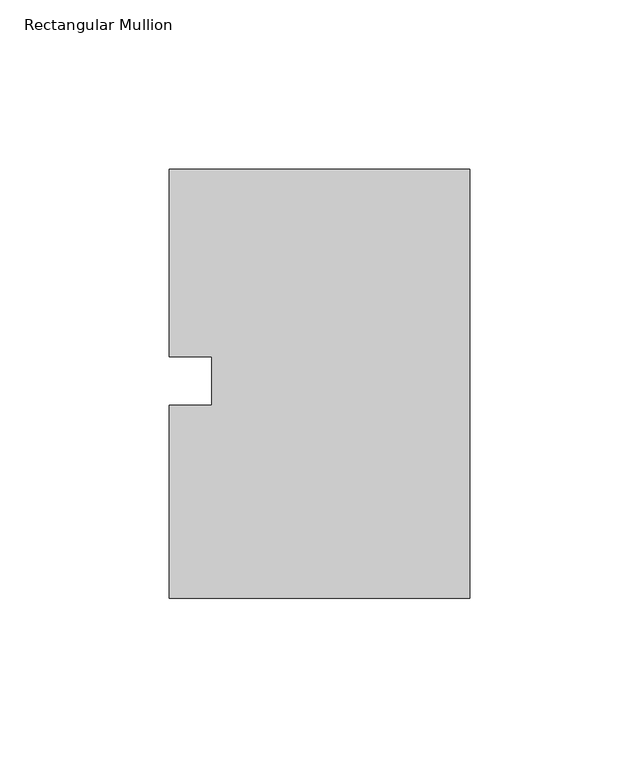
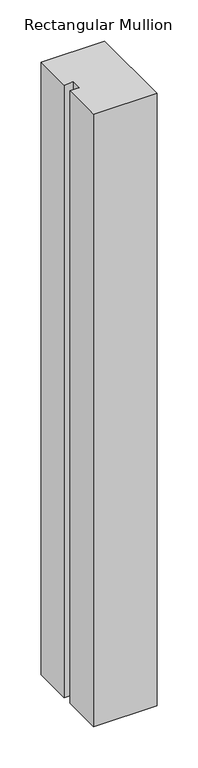
"""IFC4 building model written with IfcOpenShell, lengths in millimetres: member geometry, Rectangular Mullion."""

import ifcopenshell
import ifcopenshell.guid

model = None  # the IFC model being written
_history = None  # IfcOwnerHistory: only IFC2X3 demands one
_inside = {}  # id of a spatial element -> (the spatial element, [elements in it])
_under = {}  # id of a project, library or spatial element -> (it, [spatial elements below it])
_declared = {}  # id of a project -> (the project, [libraries it declares])
_typed = {}  # id of a type object -> (the type object, [elements of that type])
_made_of = {}  # id of a material, layer set ... -> (it, [elements and type objects made of it])


def new_model(schema):
    """Start an empty IFC model of exactly this schema.

    Asked for "IFC4X3", IfcOpenShell would pick the latest addendum, in which some entities
    have other attributes; the version numbers below select the first issue.
    IFC2X3 requires an IfcOwnerHistory on every rooted entity: one is made here for all.
    """
    global model, _history
    if schema == "IFC4X3":
        model = ifcopenshell.file(schema_version=(4, 3, 0, 0))
    else:
        model = ifcopenshell.file(schema=schema)
    _inside.clear()
    _under.clear()
    _declared.clear()
    _typed.clear()
    _made_of.clear()
    _history = None
    if model.schema == "IFC2X3":
        org = make("IfcOrganization", Name="unknown")
        user = make(
            "IfcPersonAndOrganization",
            ThePerson=make("IfcPerson", FamilyName="unknown"),
            TheOrganization=org,
        )
        app = make(
            "IfcApplication",
            ApplicationDeveloper=org,
            Version="unknown",
            ApplicationFullName="unknown",
            ApplicationIdentifier="unknown",
        )
        _history = make(
            "IfcOwnerHistory",
            OwningUser=user,
            OwningApplication=app,
            ChangeAction="ADDED",
            CreationDate=0,
        )
    return model


def make(cls, **values):
    """One entity of the class cls with the attributes given. An attribute that is None is left unset."""
    return model.create_entity(
        cls, **{name: value for name, value in values.items() if value is not None}
    )


def rooted(cls, **values):
    """An entity with a GlobalId (a new one), such as an element, a storey or a relation."""
    return make(cls, GlobalId=ifcopenshell.guid.new(), OwnerHistory=_history, **values)


def si_unit(unit_type, name, prefix=None):
    """IfcSIUnit, for example si_unit("LENGTHUNIT", "METRE", prefix="MILLI")."""
    return make("IfcSIUnit", UnitType=unit_type, Prefix=prefix, Name=name)


def assignment(units):
    """IfcUnitAssignment: the units of a project."""
    return None if units is None else make("IfcUnitAssignment", Units=units)


def point(xyz):
    """IfcCartesianPoint."""
    return None if xyz is None else make("IfcCartesianPoint", Coordinates=xyz)


def direction(xyz):
    """IfcDirection."""
    return None if xyz is None else make("IfcDirection", DirectionRatios=xyz)


def frame(location, z_axis=None, x_axis=None):
    """IfcAxis2Placement3D, a coordinate frame: its origin and axes. An axis left out is left unset."""
    return make(
        "IfcAxis2Placement3D",
        Location=point(location),
        Axis=direction(z_axis),
        RefDirection=direction(x_axis),
    )


def origin():
    """The frame at (0, 0, 0) with its axes left unset."""
    return frame((0.0, 0.0, 0.0))


def place(relative_to, where):
    """IfcLocalPlacement: puts the frame where relative to a parent placement (None: the world)."""
    return make(
        "IfcLocalPlacement", PlacementRelTo=relative_to, RelativePlacement=where
    )


def context(
    kind, dimensions, precision=None, world=None, true_north=None, identifier=None
):
    """IfcGeometricRepresentationContext, for example the 3D "Model" context."""
    return make(
        "IfcGeometricRepresentationContext",
        ContextIdentifier=identifier,
        ContextType=kind,
        CoordinateSpaceDimension=dimensions,
        Precision=precision,
        WorldCoordinateSystem=world,
        TrueNorth=true_north,
    )


def project(units=None, contexts=None):
    """IfcProject with its units and contexts."""
    return rooted(
        "IfcProject",
        Name="project",
        RepresentationContexts=contexts,
        UnitsInContext=assignment(units),
    )


def spatial(cls, under=None, at=None, **own):
    """A site, building, storey or space (cls), placed at a placement, below another one or the project."""
    s = rooted(cls, ObjectPlacement=at, **own)
    if under is not None:
        _under.setdefault(under.id(), (under, []))[1].append(s)
    return s


def polyline(points):
    """IfcPolyline through the points."""
    return make("IfcPolyline", Points=[point(p) for p in points])


def outline(outer, holes=None, kind="AREA"):
    """IfcArbitraryClosedProfileDef: a profile drawn as a closed curve; with holes, ...WithVoids."""
    if holes is None:
        return make("IfcArbitraryClosedProfileDef", ProfileType=kind, OuterCurve=outer)
    return make(
        "IfcArbitraryProfileDefWithVoids",
        ProfileType=kind,
        OuterCurve=outer,
        InnerCurves=holes,
    )


def extrude(swept, where, along, depth):
    """IfcExtrudedAreaSolid: the profile swept, set in the frame where, extruded along a direction by depth."""
    return make(
        "IfcExtrudedAreaSolid",
        SweptArea=swept,
        Position=where,
        ExtrudedDirection=direction(along),
        Depth=depth,
    )


def shape(context_of_items, identifier, shape_type, items):
    """IfcShapeRepresentation: the items that make up one representation, for example the "Body"."""
    return make(
        "IfcShapeRepresentation",
        ContextOfItems=context_of_items,
        RepresentationIdentifier=identifier,
        RepresentationType=shape_type,
        Items=items,
    )


def source(mapping_origin, context_of_items, identifier, shape_type, items):
    """IfcRepresentationMap: a shape defined once, which mapped items show again and again."""
    return make(
        "IfcRepresentationMap",
        MappingOrigin=mapping_origin,
        MappedRepresentation=shape(context_of_items, identifier, shape_type, items),
    )


def transform(
    local_origin,
    x_axis=None,
    y_axis=None,
    z_axis=None,
    scale=None,
    scale2=None,
    scale3=None,
    uniform=True,
):
    """IfcCartesianTransformationOperator3D, or its non-uniform kind. x_axis, y_axis, z_axis: its Axis1, 2, 3."""
    if uniform:
        return make(
            "IfcCartesianTransformationOperator3D",
            Axis1=direction(x_axis),
            Axis2=direction(y_axis),
            LocalOrigin=point(local_origin),
            Scale=scale,
            Axis3=direction(z_axis),
        )
    return make(
        "IfcCartesianTransformationOperator3DnonUniform",
        Axis1=direction(x_axis),
        Axis2=direction(y_axis),
        LocalOrigin=point(local_origin),
        Scale=scale,
        Axis3=direction(z_axis),
        Scale2=scale2,
        Scale3=scale3,
    )


def mapped(mapping_source, mapping_target):
    """IfcMappedItem: shows the shape of a source again, moved by a transform."""
    return make(
        "IfcMappedItem", MappingSource=mapping_source, MappingTarget=mapping_target
    )


def made_of(thing, what):
    """Note that an element or type object is made of a material, layer set ...; save() writes the relation."""
    if what is not None:
        _made_of.setdefault(what.id(), (what, []))[1].append(thing)
    return thing


def element(
    cls,
    number,
    at=None,
    inside=None,
    cuts=None,
    type_object=None,
    material=None,
    context=None,
    identifier="Body",
    shape_type=None,
    held_by="IfcProductDefinitionShape",
    body=None,
    shapes=None,
    **own,
):
    """One element of the class cls, such as IfcWall. Its Tag is "e" and its number.

    at: its placement. inside: the storey or other place that contains it. cuts: it is an
    opening in that element (IfcRelVoidsElement). A single representation is given by context,
    identifier, shape_type and body (its items); several are given by shapes. held_by: the class
    of the entity that holds the representations. save() writes the other relations.
    """
    e = rooted(cls, Tag="e%d" % number, ObjectPlacement=at, **own)
    if body is not None:
        shapes = [shape(context, identifier, shape_type, body)]
    if shapes is not None:
        e.Representation = make(held_by, Representations=shapes)
    if inside is not None:
        _inside.setdefault(inside.id(), (inside, []))[1].append(e)
    if cuts is not None:
        rooted(
            "IfcRelVoidsElement", RelatingBuildingElement=cuts, RelatedOpeningElement=e
        )
    if type_object is not None:
        _typed.setdefault(type_object.id(), (type_object, []))[1].append(e)
    return made_of(e, material)


def aggregate(whole, parts):
    """IfcRelAggregates: a whole, such as a stair, and the parts it consists of."""
    return rooted("IfcRelAggregates", RelatingObject=whole, RelatedObjects=parts)


def save(model, path):
    """Write the relations noted so far, then the file.

    IfcRelAggregates (storeys below a building ...), IfcRelContainedInSpatialStructure (elements
    in a storey), IfcRelDefinesByType, IfcRelAssociatesMaterial and IfcRelDeclares: one each for
    every whole, place, type object, material and project.
    """
    for whole, parts in _under.values():
        aggregate(whole, parts)
    for where, things in _inside.values():
        rooted(
            "IfcRelContainedInSpatialStructure",
            RelatedElements=things,
            RelatingStructure=where,
        )
    for kind, things in _typed.values():
        rooted("IfcRelDefinesByType", RelatedObjects=things, RelatingType=kind)
    for what, things in _made_of.values():
        rooted("IfcRelAssociatesMaterial", RelatedObjects=things, RelatingMaterial=what)
    for by, libraries in _declared.values():
        rooted("IfcRelDeclares", RelatingContext=by, RelatedDefinitions=libraries)
    model.write(path)


def rectangular_mullion_aa4050dc(model_context):
    return source(origin(), model_context, "Body", "SweptSolid", [
        extrude(outline(polyline([(-88.9, 62.70625), (0.0, 62.70625), (0.0, -64.29375), (-88.9, -64.29375), (-88.9, -7.14375), (-76.1982296, -7.14375), (-76.1982296, 7.14375), (-88.9, 7.14375), (-88.9, 62.70625)])), frame((0.0, 0.0, -906.8905973), z_axis=(0.0, 0.0, 1.0), x_axis=(1.0, 0.0, 0.0)), (0.0, 0.0, 1.0), 906.8905973),
    ])


if __name__ == "__main__":
    model = new_model("IFC4")
    model_context = context("Model", 3, world=origin())
    ifc_project = project(units=[si_unit("LENGTHUNIT", "METRE", prefix="MILLI")], contexts=[model_context])
    site = spatial("IfcSite", under=ifc_project)
    building = spatial("IfcBuilding", under=site)
    placement = place(None, origin())
    rectangular_mullion_shape = rectangular_mullion_aa4050dc(model_context)
    element("IfcMember", 1, ObjectType="Rectangular Mullion", at=placement, inside=building, context=model_context, shape_type="MappedRepresentation", body=[
        mapped(rectangular_mullion_shape, transform((0.0, 0.0, 0.0), x_axis=(1.0, 0.0, 0.0), y_axis=(0.0, 1.0, 0.0), z_axis=(0.0, 0.0, 1.0))),
    ])
    save(model, "model.ifc")
